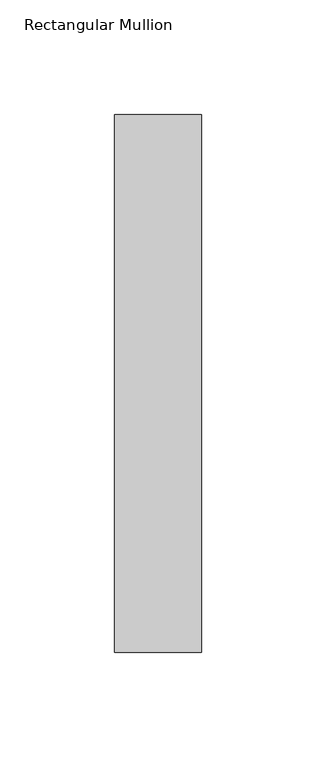
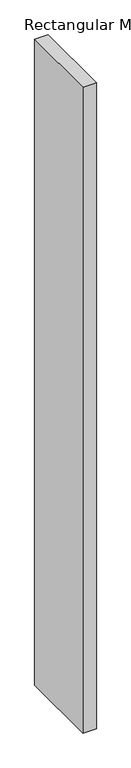
"""IFC4 building model written with IfcOpenShell, lengths in millimetres: member geometry, Rectangular Mullion."""

from ifc_helpers import new_model, si_unit, frame, origin, place, context, project, spatial, polyline, outline, extrude, source, transform, mapped, element, save


def rectangular_mullion_249a1d55(model_context):
    return source(origin(), model_context, "Body", "SweptSolid", [
        extrude(outline(polyline([(0.0, 235.0), (0.0, 0.0), (-38.0, 0.0), (-38.0, 235.0), (0.0, 235.0)])), frame((0.0, 0.0, -1924.0), z_axis=(0.0, 0.0, 1.0), x_axis=(1.0, 0.0, 0.0)), (0.0, 0.0, 1.0), 1924.0),
    ])


if __name__ == "__main__":
    model = new_model("IFC4")
    model_context = context("Model", 3, world=origin())
    ifc_project = project(units=[si_unit("LENGTHUNIT", "METRE", prefix="MILLI")], contexts=[model_context])
    site = spatial("IfcSite", under=ifc_project)
    building = spatial("IfcBuilding", under=site)
    placement = place(None, origin())
    rectangular_mullion_shape = rectangular_mullion_249a1d55(model_context)
    element("IfcMember", 1, ObjectType="Rectangular Mullion", at=placement, inside=building, context=model_context, shape_type="MappedRepresentation", body=[
        mapped(rectangular_mullion_shape, transform((0.0, 0.0, 0.0), x_axis=(1.0, 0.0, 0.0), y_axis=(0.0, 1.0, 0.0), z_axis=(0.0, 0.0, 1.0))),
    ])
    save(model, "model.ifc")
